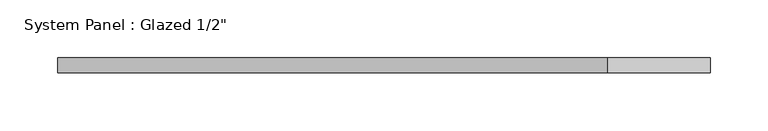
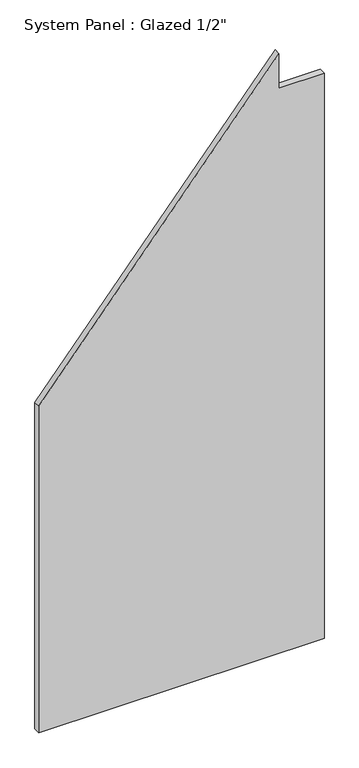
"""IFC4 building model written with IfcOpenShell, lengths in millimetres: plate geometry."""

from ifc_helpers import new_model, si_unit, frame, origin, place, context, project, spatial, polyline, outline, extrude, source, transform, mapped, element, save


def plate_d4c0b46e(model_context):
    return source(origin(), model_context, "Body", "SweptSolid", [
        extrude(outline(polyline([(0.0, -281.7956866), (0.0, 281.7956866), (1180.5340336, 281.7956866), (1180.5340336, 192.8379402), (1252.6758484, 192.8379402), (682.2372222, -281.7956866), (0.0, -281.7956866)])), frame((0.0, -6.35, 0.0), z_axis=(0.0, 1.0, 0.0), x_axis=(0.0, 0.0, 1.0)), (0.0, 0.0, 1.0), 12.7),
    ])


if __name__ == "__main__":
    model = new_model("IFC4")
    model_context = context("Model", 3, world=origin())
    ifc_project = project(units=[si_unit("LENGTHUNIT", "METRE", prefix="MILLI")], contexts=[model_context])
    site = spatial("IfcSite", under=ifc_project)
    building = spatial("IfcBuilding", under=site)
    placement = place(None, origin())
    plate_shape = plate_d4c0b46e(model_context)
    element("IfcPlate", 1, ObjectType="System Panel : Glazed 1/2\"", at=placement, inside=building, context=model_context, shape_type="MappedRepresentation", body=[
        mapped(plate_shape, transform((0.0, 0.0, 0.0), x_axis=(1.0, 0.0, 0.0), y_axis=(0.0, 1.0, 0.0), z_axis=(0.0, 0.0, 1.0))),
    ])
    save(model, "model.ifc")
